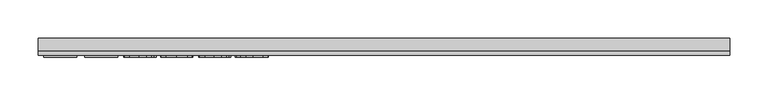
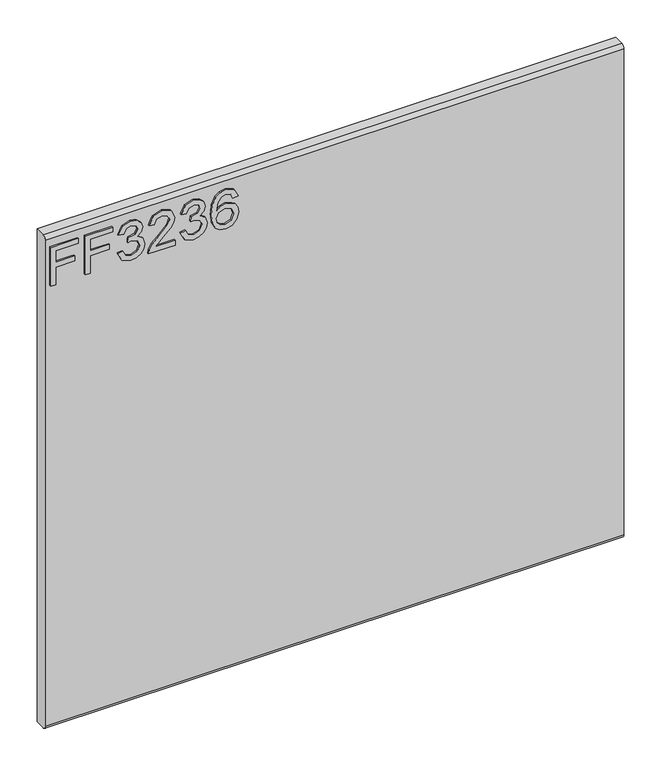
"""IFC4 building model written with IfcOpenShell, lengths in millimetres: furniture geometry."""

import ifcopenshell
import ifcopenshell.guid

model = None  # the IFC model being written
_history = None  # IfcOwnerHistory: only IFC2X3 demands one
_inside = {}  # id of a spatial element -> (the spatial element, [elements in it])
_under = {}  # id of a project, library or spatial element -> (it, [spatial elements below it])
_declared = {}  # id of a project -> (the project, [libraries it declares])
_typed = {}  # id of a type object -> (the type object, [elements of that type])
_made_of = {}  # id of a material, layer set ... -> (it, [elements and type objects made of it])


def new_model(schema):
    """Start an empty IFC model of exactly this schema.

    Asked for "IFC4X3", IfcOpenShell would pick the latest addendum, in which some entities
    have other attributes; the version numbers below select the first issue.
    IFC2X3 requires an IfcOwnerHistory on every rooted entity: one is made here for all.
    """
    global model, _history
    if schema == "IFC4X3":
        model = ifcopenshell.file(schema_version=(4, 3, 0, 0))
    else:
        model = ifcopenshell.file(schema=schema)
    _inside.clear()
    _under.clear()
    _declared.clear()
    _typed.clear()
    _made_of.clear()
    _history = None
    if model.schema == "IFC2X3":
        org = make("IfcOrganization", Name="unknown")
        user = make(
            "IfcPersonAndOrganization",
            ThePerson=make("IfcPerson", FamilyName="unknown"),
            TheOrganization=org,
        )
        app = make(
            "IfcApplication",
            ApplicationDeveloper=org,
            Version="unknown",
            ApplicationFullName="unknown",
            ApplicationIdentifier="unknown",
        )
        _history = make(
            "IfcOwnerHistory",
            OwningUser=user,
            OwningApplication=app,
            ChangeAction="ADDED",
            CreationDate=0,
        )
    return model


def make(cls, **values):
    """One entity of the class cls with the attributes given. An attribute that is None is left unset."""
    return model.create_entity(
        cls, **{name: value for name, value in values.items() if value is not None}
    )


def rooted(cls, **values):
    """An entity with a GlobalId (a new one), such as an element, a storey or a relation."""
    return make(cls, GlobalId=ifcopenshell.guid.new(), OwnerHistory=_history, **values)


def si_unit(unit_type, name, prefix=None):
    """IfcSIUnit, for example si_unit("LENGTHUNIT", "METRE", prefix="MILLI")."""
    return make("IfcSIUnit", UnitType=unit_type, Prefix=prefix, Name=name)


def assignment(units):
    """IfcUnitAssignment: the units of a project."""
    return None if units is None else make("IfcUnitAssignment", Units=units)


def point(xyz):
    """IfcCartesianPoint."""
    return None if xyz is None else make("IfcCartesianPoint", Coordinates=xyz)


def direction(xyz):
    """IfcDirection."""
    return None if xyz is None else make("IfcDirection", DirectionRatios=xyz)


def frame(location, z_axis=None, x_axis=None):
    """IfcAxis2Placement3D, a coordinate frame: its origin and axes. An axis left out is left unset."""
    return make(
        "IfcAxis2Placement3D",
        Location=point(location),
        Axis=direction(z_axis),
        RefDirection=direction(x_axis),
    )


def origin():
    """The frame at (0, 0, 0) with its axes left unset."""
    return frame((0.0, 0.0, 0.0))


def place(relative_to, where):
    """IfcLocalPlacement: puts the frame where relative to a parent placement (None: the world)."""
    return make(
        "IfcLocalPlacement", PlacementRelTo=relative_to, RelativePlacement=where
    )


def context(
    kind, dimensions, precision=None, world=None, true_north=None, identifier=None
):
    """IfcGeometricRepresentationContext, for example the 3D "Model" context."""
    return make(
        "IfcGeometricRepresentationContext",
        ContextIdentifier=identifier,
        ContextType=kind,
        CoordinateSpaceDimension=dimensions,
        Precision=precision,
        WorldCoordinateSystem=world,
        TrueNorth=true_north,
    )


def project(units=None, contexts=None):
    """IfcProject with its units and contexts."""
    return rooted(
        "IfcProject",
        Name="project",
        RepresentationContexts=contexts,
        UnitsInContext=assignment(units),
    )


def spatial(cls, under=None, at=None, **own):
    """A site, building, storey or space (cls), placed at a placement, below another one or the project."""
    s = rooted(cls, ObjectPlacement=at, **own)
    if under is not None:
        _under.setdefault(under.id(), (under, []))[1].append(s)
    return s


def polyline(points):
    """IfcPolyline through the points."""
    return make("IfcPolyline", Points=[point(p) for p in points])


def circle_curve(where, radius):
    """IfcCircle in the frame where."""
    return make("IfcCircle", Position=where, Radius=radius)


def outline(outer, holes=None, kind="AREA"):
    """IfcArbitraryClosedProfileDef: a profile drawn as a closed curve; with holes, ...WithVoids."""
    if holes is None:
        return make("IfcArbitraryClosedProfileDef", ProfileType=kind, OuterCurve=outer)
    return make(
        "IfcArbitraryProfileDefWithVoids",
        ProfileType=kind,
        OuterCurve=outer,
        InnerCurves=holes,
    )


def extrude(swept, where, along, depth):
    """IfcExtrudedAreaSolid: the profile swept, set in the frame where, extruded along a direction by depth."""
    return make(
        "IfcExtrudedAreaSolid",
        SweptArea=swept,
        Position=where,
        ExtrudedDirection=direction(along),
        Depth=depth,
    )


def shape(context_of_items, identifier, shape_type, items):
    """IfcShapeRepresentation: the items that make up one representation, for example the "Body"."""
    return make(
        "IfcShapeRepresentation",
        ContextOfItems=context_of_items,
        RepresentationIdentifier=identifier,
        RepresentationType=shape_type,
        Items=items,
    )


def source(mapping_origin, context_of_items, identifier, shape_type, items):
    """IfcRepresentationMap: a shape defined once, which mapped items show again and again."""
    return make(
        "IfcRepresentationMap",
        MappingOrigin=mapping_origin,
        MappedRepresentation=shape(context_of_items, identifier, shape_type, items),
    )


def transform(
    local_origin,
    x_axis=None,
    y_axis=None,
    z_axis=None,
    scale=None,
    scale2=None,
    scale3=None,
    uniform=True,
):
    """IfcCartesianTransformationOperator3D, or its non-uniform kind. x_axis, y_axis, z_axis: its Axis1, 2, 3."""
    if uniform:
        return make(
            "IfcCartesianTransformationOperator3D",
            Axis1=direction(x_axis),
            Axis2=direction(y_axis),
            LocalOrigin=point(local_origin),
            Scale=scale,
            Axis3=direction(z_axis),
        )
    return make(
        "IfcCartesianTransformationOperator3DnonUniform",
        Axis1=direction(x_axis),
        Axis2=direction(y_axis),
        LocalOrigin=point(local_origin),
        Scale=scale,
        Axis3=direction(z_axis),
        Scale2=scale2,
        Scale3=scale3,
    )


def mapped(mapping_source, mapping_target):
    """IfcMappedItem: shows the shape of a source again, moved by a transform."""
    return make(
        "IfcMappedItem", MappingSource=mapping_source, MappingTarget=mapping_target
    )


def made_of(thing, what):
    """Note that an element or type object is made of a material, layer set ...; save() writes the relation."""
    if what is not None:
        _made_of.setdefault(what.id(), (what, []))[1].append(thing)
    return thing


def element(
    cls,
    number,
    at=None,
    inside=None,
    cuts=None,
    type_object=None,
    material=None,
    context=None,
    identifier="Body",
    shape_type=None,
    held_by="IfcProductDefinitionShape",
    body=None,
    shapes=None,
    **own,
):
    """One element of the class cls, such as IfcWall. Its Tag is "e" and its number.

    at: its placement. inside: the storey or other place that contains it. cuts: it is an
    opening in that element (IfcRelVoidsElement). A single representation is given by context,
    identifier, shape_type and body (its items); several are given by shapes. held_by: the class
    of the entity that holds the representations. save() writes the other relations.
    """
    e = rooted(cls, Tag="e%d" % number, ObjectPlacement=at, **own)
    if body is not None:
        shapes = [shape(context, identifier, shape_type, body)]
    if shapes is not None:
        e.Representation = make(held_by, Representations=shapes)
    if inside is not None:
        _inside.setdefault(inside.id(), (inside, []))[1].append(e)
    if cuts is not None:
        rooted(
            "IfcRelVoidsElement", RelatingBuildingElement=cuts, RelatedOpeningElement=e
        )
    if type_object is not None:
        _typed.setdefault(type_object.id(), (type_object, []))[1].append(e)
    return made_of(e, material)


def aggregate(whole, parts):
    """IfcRelAggregates: a whole, such as a stair, and the parts it consists of."""
    return rooted("IfcRelAggregates", RelatingObject=whole, RelatedObjects=parts)


def save(model, path):
    """Write the relations noted so far, then the file.

    IfcRelAggregates (storeys below a building ...), IfcRelContainedInSpatialStructure (elements
    in a storey), IfcRelDefinesByType, IfcRelAssociatesMaterial and IfcRelDeclares: one each for
    every whole, place, type object, material and project.
    """
    for whole, parts in _under.values():
        aggregate(whole, parts)
    for where, things in _inside.values():
        rooted(
            "IfcRelContainedInSpatialStructure",
            RelatedElements=things,
            RelatingStructure=where,
        )
    for kind, things in _typed.values():
        rooted("IfcRelDefinesByType", RelatedObjects=things, RelatingType=kind)
    for what, things in _made_of.values():
        rooted("IfcRelAssociatesMaterial", RelatedObjects=things, RelatingMaterial=what)
    for by, libraries in _declared.values():
        rooted("IfcRelDeclares", RelatingContext=by, RelatedDefinitions=libraries)
    model.write(path)


def plane_surface(at):
    """IfcPlane: the flat surface through the origin of the frame at, square to its z axis."""
    return make("IfcPlane", Position=at)


def cylinder_surface(at, radius):
    """IfcCylindricalSurface: all points at the distance radius from the z axis of the frame at."""
    return make("IfcCylindricalSurface", Position=at, Radius=radius)


def advanced_brep(points, edges, surfaces, faces):
    """IfcAdvancedBrep: a solid bounded by faces that lie on surfaces and meet in shared edges.

    An edge is (start, end): straight between two places in points (the first is 0);
    or (start, end, curve); or (start, end, curve, False) where it runs against its curve.
    A face is (place in surfaces, loops), or (place, loops, False) where it looks against
    its surface's normal. A loop lists edges by number (the first is 1), with a minus sign
    where the edge is run from its end to its start. The first loop is the outer one.
    """
    corners = [point(p) for p in points]
    vertices = [make("IfcVertexPoint", VertexGeometry=c) for c in corners]
    made = []
    for start, end, *more in edges:
        made.append(
            make(
                "IfcEdgeCurve",
                EdgeStart=vertices[start],
                EdgeEnd=vertices[end],
                EdgeGeometry=more[0] if more else make("IfcPolyline", Points=[corners[start], corners[end]]),
                SameSense=more[1] if len(more) > 1 else True,
            )
        )
    hull = []
    for where, loops, *sense in faces:
        bounds = []
        for j, loop in enumerate(loops):
            ring = [make("IfcOrientedEdge", EdgeElement=made[abs(k) - 1], Orientation=k > 0) for k in loop]
            bounds.append(
                make(
                    "IfcFaceOuterBound" if j == 0 else "IfcFaceBound",
                    Bound=make("IfcEdgeLoop", EdgeList=ring),
                    Orientation=True,
                )
            )
        hull.append(make("IfcAdvancedFace", Bounds=bounds, FaceSurface=surfaces[where], SameSense=sense[0] if sense else True))
    return make("IfcAdvancedBrep", Outer=make("IfcClosedShell", CfsFaces=hull))


def furniture_0a7ebf27(model_context):
    return source(origin(), model_context, "Body", "SolidModel", [
        extrude(outline(polyline([(882.65, -443.8729953), (882.65, -435.8992757), (911.5547336, -435.8992757), (911.5547336, -405.9978271), (919.5284532, -405.9978271), (919.5284532, -435.8992757), (938.4660373, -435.8992757), (938.4660373, -401.0142524), (946.4397569, -401.0142524), (946.4397569, -443.8729953), (882.65, -443.8729953)])), frame((0.0, -15.0812439, 0.0), z_axis=(0.0, 1.0, 0.0), x_axis=(0.0, 0.0, 1.0)), (0.0, 0.0, 1.0), 2.38125),
        extrude(outline(polyline([(882.65, -390.0503879), (882.65, -382.0766683), (911.5547336, -382.0766683), (911.5547336, -352.1752197), (919.5284532, -352.1752197), (919.5284532, -382.0766683), (938.4660373, -382.0766683), (938.4660373, -347.191645), (946.4397569, -347.191645), (946.4397569, -390.0503879), (882.65, -390.0503879)])), frame((0.0, -15.0812439, 0.0), z_axis=(0.0, 1.0, 0.0), x_axis=(0.0, 0.0, 1.0)), (0.0, 0.0, 1.0), 2.38125),
        extrude(outline(polyline([(899.5941542, -339.2179253), (886.6524335, -332.8794412), (881.653285, -318.8942845), (883.1172101, -310.371593), (887.5089854, -303.4607764), (894.0032063, -298.8821171), (901.7744681, -297.3558974), (912.1465331, -300.4083369), (917.597318, -309.0984454), (922.8767925, -302.5575035), (930.2275653, -300.3460422), (938.2713664, -302.674306), (944.2516562, -309.402132), (946.4397569, -319.0188739), (942.0012607, -331.6958422), (929.4956028, -338.2212104), (928.4988878, -330.2474908), (935.9742499, -326.3384993), (938.4660373, -318.7385478), (935.9976105, -311.2320383), (929.7603552, -308.3197618), (922.7210558, -312.337769), (920.5251682, -322.6631129), (912.5514486, -323.5508122), (913.4235742, -317.9598643), (910.16089, -308.8959877), (901.9146312, -305.329617), (893.162228, -308.927135), (889.6270047, -318.6139584), (892.1966604, -326.8446436), (900.5908691, -331.2442057), (899.5941542, -339.2179253)])), frame((0.0, -15.0812439, 0.0), z_axis=(0.0, 1.0, 0.0), x_axis=(0.0, 0.0, 1.0)), (0.0, 0.0, 1.0), 2.38125),
        extrude(outline(polyline([(890.6237196, -249.5135796), (890.6237196, -280.8322323), (894.6806609, -277.2347143), (902.350694, -268.061822), (913.2756243, -256.6385342), (921.0936072, -251.9274987), (928.6546245, -250.5102946), (941.3315928, -255.7664086), (946.4397569, -270.0396782), (941.845524, -284.2662268), (928.4988878, -290.3788927), (927.5021729, -282.4051731), (935.5537608, -279.0490469), (938.4660373, -270.2109886), (935.4836793, -261.7311246), (928.1718407, -258.4840142), (919.1391115, -261.9257955), (905.85477, -275.6929208), (896.6117962, -285.675644), (888.1475059, -290.5190557), (882.65, -291.3756076), (882.65, -249.5135796), (890.6237196, -249.5135796)])), frame((0.0, -15.0812439, 0.0), z_axis=(0.0, 1.0, 0.0), x_axis=(0.0, 0.0, 1.0)), (0.0, 0.0, 1.0), 2.38125),
        extrude(outline(polyline([(899.5941542, -241.53986), (886.6524335, -235.2013759), (881.653285, -221.2162192), (883.1172101, -212.6935277), (887.5089854, -205.7827111), (894.0032063, -201.2040518), (901.7744681, -199.677832), (912.1465331, -202.7302716), (917.597318, -211.4203801), (922.8767925, -204.8794382), (930.2275653, -202.6679769), (938.2713664, -204.9962407), (944.2516562, -211.7240666), (946.4397569, -221.3408086), (942.0012607, -234.0177769), (929.4956028, -240.5431451), (928.4988878, -232.5694255), (935.9742499, -228.660434), (938.4660373, -221.0604825), (935.9976105, -213.553973), (929.7603552, -210.6416965), (922.7210558, -214.6597037), (920.5251682, -224.9850476), (912.5514486, -225.8727469), (913.4235742, -220.2817989), (910.16089, -211.2179223), (901.9146312, -207.6515516), (893.162228, -211.2490697), (889.6270047, -220.9358931), (892.1966604, -229.1665783), (900.5908691, -233.5661404), (899.5941542, -241.53986)])), frame((0.0, -15.0812439, 0.0), z_axis=(0.0, 1.0, 0.0), x_axis=(0.0, 0.0, 1.0)), (0.0, 0.0, 1.0), 2.38125),
        extrude(outline(polyline([(929.4956028, -151.8355143), (941.938966, -157.722362), (946.4397569, -170.321462), (944.6215308, -179.576116), (939.1668525, -186.7205376), (928.3081103, -191.9532911), (912.4268592, -193.6975423), (898.3015395, -192.1265482), (888.8171738, -187.413566), (883.4442572, -180.2087964), (881.653285, -171.1624402), (884.355317, -160.7125069), (892.1421526, -153.4707498), (903.1449512, -150.8387994), (911.3172351, -152.2365364), (917.8309231, -156.4297473), (923.515313, -169.9788412), (921.4362279, -178.6923102), (915.0743833, -185.7238227), (929.2853582, -183.4578535), (936.5349021, -178.0148555), (938.4660373, -170.8198194), (935.1488454, -162.8305261), (928.4988878, -159.8092339), (929.4956028, -151.8355143)]), holes=[polyline([(903.2695406, -185.7238227), (912.15432, -181.7603234), (915.5415934, -172.1124341), (912.15432, -162.3399555), (902.8801988, -158.812519), (893.1933754, -162.3866765), (889.6270047, -171.785387), (891.3478953, -178.9726363), (896.3626174, -183.8783427), (903.2695406, -185.7238227)])]), frame((0.0, -15.0812439, 0.0), z_axis=(0.0, 1.0, 0.0), x_axis=(0.0, 0.0, 1.0)), (0.0, 0.0, 1.0), 2.38125),
        advanced_brep(
        [(450.85, 9.5250061, 965.2), (450.85, -6.7309939, 965.2), (450.85, -12.6999939, 959.231), (450.85, -12.6999939, 158.369), (450.85, -6.7309939, 152.4), (450.85, 9.5250061, 152.4), (-450.85, 9.5250061, 965.2), (-450.85, 9.5250061, 152.4), (-450.85, -6.7309939, 152.4), (-450.85, -12.6999939, 158.369), (-450.85, -12.6999939, 959.2310121), (-450.85, -6.7309939, 965.2)],
        [
            (0, 1),
            (1, 2, circle_curve(frame((450.85, -6.7309939, 959.231), z_axis=(1.0, 0.0, 0.0), x_axis=(0.0, 1.0, 0.0)), 5.969)),
            (2, 3),
            (3, 4, circle_curve(frame((450.85, -6.7309939, 158.369), z_axis=(1.0, 0.0, 0.0), x_axis=(0.0, 1.0, 0.0)), 5.969)),
            (4, 5),
            (5, 0),
            (6, 7),
            (7, 8),
            (8, 9, circle_curve(frame((-450.85, -6.7309939, 158.369), z_axis=(-1.0, 0.0, 0.0), x_axis=(0.0, 1.0, 0.0)), 5.969)),
            (9, 10),
            (10, 11, circle_curve(frame((-450.85, -6.7309939, 959.231), z_axis=(-1.0, 0.0, 0.0), x_axis=(0.0, 1.0, 0.0)), 5.969)),
            (11, 6),
            (0, 6),
            (11, 1),
            (10, 2),
            (9, 3),
            (8, 4),
            (7, 5),
        ],
        [
            plane_surface(frame((450.85, -6.7309939, 965.2), z_axis=(1.0, 0.0, 0.0), x_axis=(0.0, -1.0, 0.0))),
            plane_surface(frame((-450.85, -6.7309939, 965.2), z_axis=(-1.0, 0.0, 0.0), x_axis=(0.0, 1.0, 0.0))),
            plane_surface(frame((450.85, 9.5250061, 965.2), z_axis=(0.0, 0.0, 1.0), x_axis=(-1.0, 0.0, 0.0))),
            cylinder_surface(frame((-450.85, -6.7309939, 959.231), z_axis=(1.0, 0.0, 0.0), x_axis=(0.0, 1.0, 0.0)), 5.969),
            plane_surface(frame((450.85, -12.6999939, 959.2310121), z_axis=(0.0, -1.0, 0.0), x_axis=(-1.0, 0.0, 0.0))),
            cylinder_surface(frame((-450.85, -6.7309939, 158.369), z_axis=(1.0, 0.0, 0.0), x_axis=(0.0, 1.0, 0.0)), 5.969),
            plane_surface(frame((450.85, -6.7309939, 152.4), z_axis=(0.0, 0.0, -1.0), x_axis=(-1.0, 0.0, 0.0))),
            plane_surface(frame((450.85, 9.5250061, 152.4), z_axis=(0.0, 1.0, 0.0), x_axis=(-1.0, 0.0, 0.0))),
        ],
        [
            (0, [[1, 2, 3, 4, 5, 6]]),
            (1, [[7, 8, 9, 10, 11, 12]]),
            (2, [[-1, 13, -12, 14]]),
            (3, [[-2, -14, -11, 15]]),
            (4, [[-3, -15, -10, 16]]),
            (5, [[-4, -16, -9, 17]]),
            (6, [[-5, -17, -8, 18]]),
            (7, [[-6, -18, -7, -13]]),
        ],
    ),
    ])


if __name__ == "__main__":
    model = new_model("IFC4")
    model_context = context("Model", 3, world=origin())
    ifc_project = project(units=[si_unit("LENGTHUNIT", "METRE", prefix="MILLI")], contexts=[model_context])
    site = spatial("IfcSite", under=ifc_project)
    building = spatial("IfcBuilding", under=site)
    placement = place(None, origin())
    furniture_shape = furniture_0a7ebf27(model_context)
    element("IfcFurniture", 1, at=placement, inside=building, context=model_context, shape_type="MappedRepresentation", body=[
        mapped(furniture_shape, transform((0.0, 0.0, 0.0), x_axis=(1.0, 0.0, 0.0), y_axis=(0.0, 1.0, 0.0), z_axis=(0.0, 0.0, 1.0))),
    ])
    save(model, "model.ifc")
